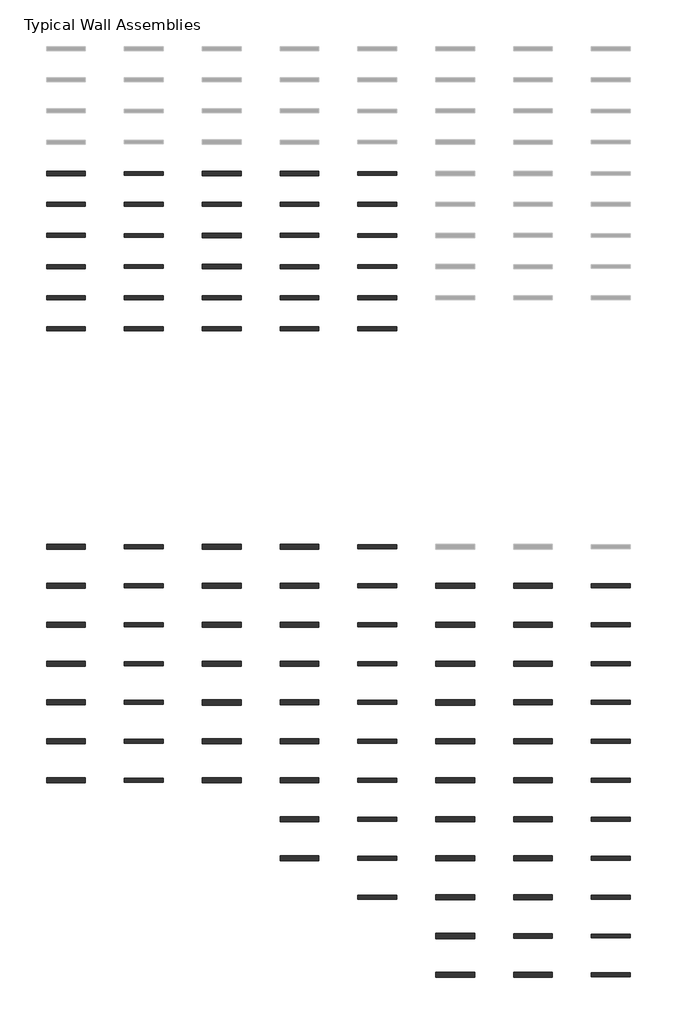
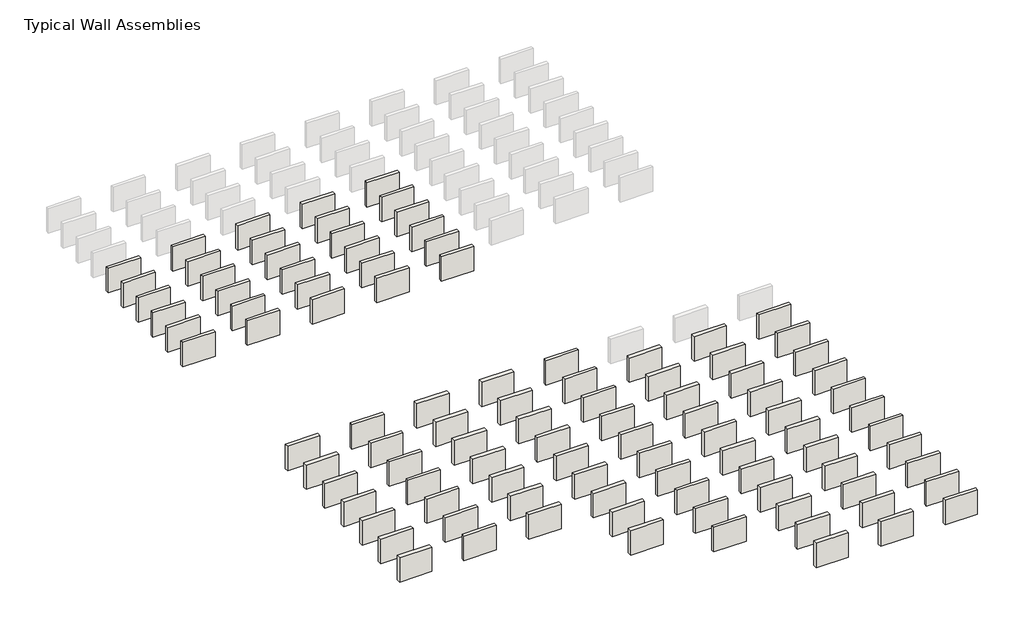
# One storey, part 5 of 8: 103 walls.
"""IFC4 building model written with IfcOpenShell, lengths in millimetres."""

from ifc_helpers import new_model, si_unit, frame, origin, place, context, project, spatial, polyline, outline, extrude, element, save

model = new_model("IFC4")

# Units and contexts
model_context = context("Model", 3, world=origin())
ifc_project = project(units=[si_unit("LENGTHUNIT", "METRE", prefix="MILLI")], contexts=[model_context])

# Site, building, storey
site = spatial("IfcSite", under=ifc_project)
building = spatial("IfcBuilding", under=site)
storey = spatial("IfcBuildingStorey", under=building, Name="Typical Wall Assemblies", Elevation=6096.0)

# Walls
placement = place(None, origin())
element("IfcWall", 1, at=placement, inside=storey, context=model_context, shape_type="SweptSolid", body=[
    extrude(outline(polyline([(3356.874931, -76366.5717574), (308.874931, -76366.5717574), (308.874931, -76050.6592477), (3356.874931, -76050.6592477), (3356.874931, -76366.5717574)])), frame((0.0, 0.0, 6096.0), z_axis=(0.0, 0.0, 1.0), x_axis=(1.0, 0.0, 0.0)), (0.0, 0.0, 1.0), 2438.4),
])
element("IfcWall", 2, at=placement, inside=storey, context=model_context, shape_type="SweptSolid", body=[
    extrude(outline(polyline([(9452.874931, -76356.2530064), (6404.874931, -76356.2530064), (6404.874931, -76060.9779987), (9452.874931, -76060.9779987), (9452.874931, -76356.2530064)])), frame((0.0, 0.0, 6096.0), z_axis=(0.0, 0.0, 1.0), x_axis=(1.0, 0.0, 0.0)), (0.0, 0.0, 1.0), 2438.4),
])
element("IfcWall", 3, at=placement, inside=storey, context=model_context, shape_type="SweptSolid", body=[
    extrude(outline(polyline([(15548.874931, -76371.3342574), (12500.874931, -76371.3342574), (12500.874931, -76045.8967477), (15548.874931, -76045.8967477), (15548.874931, -76371.3342574)])), frame((0.0, 0.0, 6096.0), z_axis=(0.0, 0.0, 1.0), x_axis=(1.0, 0.0, 0.0)), (0.0, 0.0, 1.0), 2438.4),
])
element("IfcWall", 4, at=placement, inside=storey, context=model_context, shape_type="SweptSolid", body=[
    extrude(outline(polyline([(21644.874931, -76366.5717574), (18596.874931, -76366.5717574), (18596.874931, -76050.6592477), (21644.874931, -76050.6592477), (21644.874931, -76366.5717574)])), frame((0.0, 0.0, 6096.0), z_axis=(0.0, 0.0, 1.0), x_axis=(1.0, 0.0, 0.0)), (0.0, 0.0, 1.0), 2438.4),
])
element("IfcWall", 5, at=placement, inside=storey, context=model_context, shape_type="SweptSolid", body=[
    extrude(outline(polyline([(3356.874931, -93471.8842556), (308.874931, -93471.8842556), (308.874931, -93082.9467494), (3356.874931, -93082.9467494), (3356.874931, -93471.8842556)])), frame((0.0, 0.0, 6096.0), z_axis=(0.0, 0.0, 1.0), x_axis=(1.0, 0.0, 0.0)), (0.0, 0.0, 1.0), 2438.4),
])
element("IfcWall", 6, at=placement, inside=storey, context=model_context, shape_type="SweptSolid", body=[
    extrude(outline(polyline([(9452.874931, -93432.9905038), (6404.874931, -93432.9905038), (6404.874931, -93121.8405013), (9452.874931, -93121.8405013), (9452.874931, -93432.9905038)])), frame((0.0, 0.0, 6096.0), z_axis=(0.0, 0.0, 1.0), x_axis=(1.0, 0.0, 0.0)), (0.0, 0.0, 1.0), 2438.4),
])
element("IfcWall", 7, at=placement, inside=storey, context=model_context, shape_type="SweptSolid", body=[
    extrude(outline(polyline([(15548.874931, -93476.6467556), (12500.874931, -93476.6467556), (12500.874931, -93078.1842494), (15548.874931, -93078.1842494), (15548.874931, -93476.6467556)])), frame((0.0, 0.0, 6096.0), z_axis=(0.0, 0.0, 1.0), x_axis=(1.0, 0.0, 0.0)), (0.0, 0.0, 1.0), 2438.4),
])
element("IfcWall", 8, at=placement, inside=storey, context=model_context, shape_type="SweptSolid", body=[
    extrude(outline(polyline([(21644.874931, -93471.8842556), (18596.874931, -93471.8842556), (18596.874931, -93082.9467494), (21644.874931, -93082.9467494), (21644.874931, -93471.8842556)])), frame((0.0, 0.0, 6096.0), z_axis=(0.0, 0.0, 1.0), x_axis=(1.0, 0.0, 0.0)), (0.0, 0.0, 1.0), 2438.4),
])
element("IfcWall", 9, at=placement, inside=storey, context=model_context, shape_type="SweptSolid", body=[
    extrude(outline(polyline([(27740.874931, -93432.9905038), (24692.874931, -93432.9905038), (24692.874931, -93121.8405013), (27740.874931, -93121.8405013), (27740.874931, -93432.9905038)])), frame((0.0, 0.0, 6096.0), z_axis=(0.0, 0.0, 1.0), x_axis=(1.0, 0.0, 0.0)), (0.0, 0.0, 1.0), 2438.4),
])
element("IfcWall", 10, at=placement, inside=storey, context=model_context, shape_type="SweptSolid", body=[
    extrude(outline(polyline([(3356.874931, -96519.8842556), (308.874931, -96519.8842556), (308.874931, -96130.9467494), (3356.874931, -96130.9467494), (3356.874931, -96519.8842556)])), frame((0.0, 0.0, 6096.0), z_axis=(0.0, 0.0, 1.0), x_axis=(1.0, 0.0, 0.0)), (0.0, 0.0, 1.0), 2438.4),
])
element("IfcWall", 11, at=placement, inside=storey, context=model_context, shape_type="SweptSolid", body=[
    extrude(outline(polyline([(9452.874931, -96480.9905038), (6404.874931, -96480.9905038), (6404.874931, -96169.8405013), (9452.874931, -96169.8405013), (9452.874931, -96480.9905038)])), frame((0.0, 0.0, 6096.0), z_axis=(0.0, 0.0, 1.0), x_axis=(1.0, 0.0, 0.0)), (0.0, 0.0, 1.0), 2438.4),
])
element("IfcWall", 12, at=placement, inside=storey, context=model_context, shape_type="SweptSolid", body=[
    extrude(outline(polyline([(15548.874931, -96524.6467556), (12500.874931, -96524.6467556), (12500.874931, -96126.1842494), (15548.874931, -96126.1842494), (15548.874931, -96524.6467556)])), frame((0.0, 0.0, 6096.0), z_axis=(0.0, 0.0, 1.0), x_axis=(1.0, 0.0, 0.0)), (0.0, 0.0, 1.0), 2438.4),
])
element("IfcWall", 13, at=placement, inside=storey, context=model_context, shape_type="SweptSolid", body=[
    extrude(outline(polyline([(21644.874931, -96519.8842556), (18596.874931, -96519.8842556), (18596.874931, -96130.9467494), (21644.874931, -96130.9467494), (21644.874931, -96519.8842556)])), frame((0.0, 0.0, 6096.0), z_axis=(0.0, 0.0, 1.0), x_axis=(1.0, 0.0, 0.0)), (0.0, 0.0, 1.0), 2438.4),
])
element("IfcWall", 14, at=placement, inside=storey, context=model_context, shape_type="SweptSolid", body=[
    extrude(outline(polyline([(27740.874931, -96480.9905038), (24692.874931, -96480.9905038), (24692.874931, -96169.8405013), (27740.874931, -96169.8405013), (27740.874931, -96480.9905038)])), frame((0.0, 0.0, 6096.0), z_axis=(0.0, 0.0, 1.0), x_axis=(1.0, 0.0, 0.0)), (0.0, 0.0, 1.0), 2438.4),
])
element("IfcWall", 15, at=placement, inside=storey, context=model_context, shape_type="SweptSolid", body=[
    extrude(outline(polyline([(46028.874931, -96480.9905038), (42980.874931, -96480.9905038), (42980.874931, -96169.8405013), (46028.874931, -96169.8405013), (46028.874931, -96480.9905038)])), frame((0.0, 0.0, 6096.0), z_axis=(0.0, 0.0, 1.0), x_axis=(1.0, 0.0, 0.0)), (0.0, 0.0, 1.0), 2438.4),
])
element("IfcWall", 16, at=placement, inside=storey, context=model_context, shape_type="SweptSolid", body=[
    extrude(outline(polyline([(9452.874931, -99528.9905038), (6404.874931, -99528.9905038), (6404.874931, -99217.8405013), (9452.874931, -99217.8405013), (9452.874931, -99528.9905038)])), frame((0.0, 0.0, 6096.0), z_axis=(0.0, 0.0, 1.0), x_axis=(1.0, 0.0, 0.0)), (0.0, 0.0, 1.0), 2438.4),
])
element("IfcWall", 17, at=placement, inside=storey, context=model_context, shape_type="SweptSolid", body=[
    extrude(outline(polyline([(15548.874931, -99572.6467556), (12500.874931, -99572.6467556), (12500.874931, -99174.1842494), (15548.874931, -99174.1842494), (15548.874931, -99572.6467556)])), frame((0.0, 0.0, 6096.0), z_axis=(0.0, 0.0, 1.0), x_axis=(1.0, 0.0, 0.0)), (0.0, 0.0, 1.0), 2438.4),
])
element("IfcWall", 18, at=placement, inside=storey, context=model_context, shape_type="SweptSolid", body=[
    extrude(outline(polyline([(21644.874931, -99567.8842556), (18596.874931, -99567.8842556), (18596.874931, -99178.9467494), (21644.874931, -99178.9467494), (21644.874931, -99567.8842556)])), frame((0.0, 0.0, 6096.0), z_axis=(0.0, 0.0, 1.0), x_axis=(1.0, 0.0, 0.0)), (0.0, 0.0, 1.0), 2438.4),
])
element("IfcWall", 19, at=placement, inside=storey, context=model_context, shape_type="SweptSolid", body=[
    extrude(outline(polyline([(27740.874931, -99528.9905038), (24692.874931, -99528.9905038), (24692.874931, -99217.8405013), (27740.874931, -99217.8405013), (27740.874931, -99528.9905038)])), frame((0.0, 0.0, 6096.0), z_axis=(0.0, 0.0, 1.0), x_axis=(1.0, 0.0, 0.0)), (0.0, 0.0, 1.0), 2438.4),
])
element("IfcWall", 20, at=placement, inside=storey, context=model_context, shape_type="SweptSolid", body=[
    extrude(outline(polyline([(46028.874931, -99528.9905038), (42980.874931, -99528.9905038), (42980.874931, -99217.8405013), (46028.874931, -99217.8405013), (46028.874931, -99528.9905038)])), frame((0.0, 0.0, 6096.0), z_axis=(0.0, 0.0, 1.0), x_axis=(1.0, 0.0, 0.0)), (0.0, 0.0, 1.0), 2438.4),
])
element("IfcWall", 21, at=placement, inside=storey, context=model_context, shape_type="SweptSolid", body=[
    extrude(outline(polyline([(9452.874931, -102576.9905038), (6404.874931, -102576.9905038), (6404.874931, -102265.8405013), (9452.874931, -102265.8405013), (9452.874931, -102576.9905038)])), frame((0.0, 0.0, 6096.0), z_axis=(0.0, 0.0, 1.0), x_axis=(1.0, 0.0, 0.0)), (0.0, 0.0, 1.0), 2438.4),
])
element("IfcWall", 22, at=placement, inside=storey, context=model_context, shape_type="SweptSolid", body=[
    extrude(outline(polyline([(27740.874931, -102576.9905038), (24692.874931, -102576.9905038), (24692.874931, -102265.8405013), (27740.874931, -102265.8405013), (27740.874931, -102576.9905038)])), frame((0.0, 0.0, 6096.0), z_axis=(0.0, 0.0, 1.0), x_axis=(1.0, 0.0, 0.0)), (0.0, 0.0, 1.0), 2438.4),
])
element("IfcWall", 23, at=placement, inside=storey, context=model_context, shape_type="SweptSolid", body=[
    extrude(outline(polyline([(46028.874931, -102576.9905038), (42980.874931, -102576.9905038), (42980.874931, -102265.8405013), (46028.874931, -102265.8405013), (46028.874931, -102576.9905038)])), frame((0.0, 0.0, 6096.0), z_axis=(0.0, 0.0, 1.0), x_axis=(1.0, 0.0, 0.0)), (0.0, 0.0, 1.0), 2438.4),
])
element("IfcWall", 24, at=placement, inside=storey, context=model_context, shape_type="SweptSolid", body=[
    extrude(outline(polyline([(9452.874931, -105624.9905038), (6404.874931, -105624.9905038), (6404.874931, -105313.8405013), (9452.874931, -105313.8405013), (9452.874931, -105624.9905038)])), frame((0.0, 0.0, 6096.0), z_axis=(0.0, 0.0, 1.0), x_axis=(1.0, 0.0, 0.0)), (0.0, 0.0, 1.0), 2438.4),
])
element("IfcWall", 25, at=placement, inside=storey, context=model_context, shape_type="SweptSolid", body=[
    extrude(outline(polyline([(15548.874931, -105668.6467556), (12500.874931, -105668.6467556), (12500.874931, -105270.1842494), (15548.874931, -105270.1842494), (15548.874931, -105668.6467556)])), frame((0.0, 0.0, 6096.0), z_axis=(0.0, 0.0, 1.0), x_axis=(1.0, 0.0, 0.0)), (0.0, 0.0, 1.0), 2438.4),
])
element("IfcWall", 26, at=placement, inside=storey, context=model_context, shape_type="SweptSolid", body=[
    extrude(outline(polyline([(21644.874931, -105663.8842556), (18596.874931, -105663.8842556), (18596.874931, -105274.9467494), (21644.874931, -105274.9467494), (21644.874931, -105663.8842556)])), frame((0.0, 0.0, 6096.0), z_axis=(0.0, 0.0, 1.0), x_axis=(1.0, 0.0, 0.0)), (0.0, 0.0, 1.0), 2438.4),
])
element("IfcWall", 27, at=placement, inside=storey, context=model_context, shape_type="SweptSolid", body=[
    extrude(outline(polyline([(27740.874931, -105624.9905038), (24692.874931, -105624.9905038), (24692.874931, -105313.8405013), (27740.874931, -105313.8405013), (27740.874931, -105624.9905038)])), frame((0.0, 0.0, 6096.0), z_axis=(0.0, 0.0, 1.0), x_axis=(1.0, 0.0, 0.0)), (0.0, 0.0, 1.0), 2438.4),
])
element("IfcWall", 28, at=placement, inside=storey, context=model_context, shape_type="SweptSolid", body=[
    extrude(outline(polyline([(46028.874931, -105624.9905038), (42980.874931, -105624.9905038), (42980.874931, -105313.8405013), (46028.874931, -105313.8405013), (46028.874931, -105624.9905038)])), frame((0.0, 0.0, 6096.0), z_axis=(0.0, 0.0, 1.0), x_axis=(1.0, 0.0, 0.0)), (0.0, 0.0, 1.0), 2438.4),
])
element("IfcWall", 29, at=placement, inside=storey, context=model_context, shape_type="SweptSolid", body=[
    extrude(outline(polyline([(9452.874931, -108672.9905038), (6404.874931, -108672.9905038), (6404.874931, -108361.8405013), (9452.874931, -108361.8405013), (9452.874931, -108672.9905038)])), frame((0.0, 0.0, 6096.0), z_axis=(0.0, 0.0, 1.0), x_axis=(1.0, 0.0, 0.0)), (0.0, 0.0, 1.0), 2438.4),
])
element("IfcWall", 30, at=placement, inside=storey, context=model_context, shape_type="SweptSolid", body=[
    extrude(outline(polyline([(27740.874931, -108672.9905038), (24692.874931, -108672.9905038), (24692.874931, -108361.8405013), (27740.874931, -108361.8405013), (27740.874931, -108672.9905038)])), frame((0.0, 0.0, 6096.0), z_axis=(0.0, 0.0, 1.0), x_axis=(1.0, 0.0, 0.0)), (0.0, 0.0, 1.0), 2438.4),
])
element("IfcWall", 31, at=placement, inside=storey, context=model_context, shape_type="SweptSolid", body=[
    extrude(outline(polyline([(46028.874931, -108672.9905038), (42980.874931, -108672.9905038), (42980.874931, -108361.8405013), (46028.874931, -108361.8405013), (46028.874931, -108672.9905038)])), frame((0.0, 0.0, 6096.0), z_axis=(0.0, 0.0, 1.0), x_axis=(1.0, 0.0, 0.0)), (0.0, 0.0, 1.0), 2438.4),
])
element("IfcWall", 32, at=placement, inside=storey, context=model_context, shape_type="SweptSolid", body=[
    extrude(outline(polyline([(3356.874931, -111759.8842556), (308.874931, -111759.8842556), (308.874931, -111370.9467494), (3356.874931, -111370.9467494), (3356.874931, -111759.8842556)])), frame((0.0, 0.0, 6096.0), z_axis=(0.0, 0.0, 1.0), x_axis=(1.0, 0.0, 0.0)), (0.0, 0.0, 1.0), 2438.4),
])
element("IfcWall", 33, at=placement, inside=storey, context=model_context, shape_type="SweptSolid", body=[
    extrude(outline(polyline([(9452.874931, -111720.9905038), (6404.874931, -111720.9905038), (6404.874931, -111409.8405013), (9452.874931, -111409.8405013), (9452.874931, -111720.9905038)])), frame((0.0, 0.0, 6096.0), z_axis=(0.0, 0.0, 1.0), x_axis=(1.0, 0.0, 0.0)), (0.0, 0.0, 1.0), 2438.4),
])
element("IfcWall", 34, at=placement, inside=storey, context=model_context, shape_type="SweptSolid", body=[
    extrude(outline(polyline([(27740.874931, -111720.9905038), (24692.874931, -111720.9905038), (24692.874931, -111409.8405013), (27740.874931, -111409.8405013), (27740.874931, -111720.9905038)])), frame((0.0, 0.0, 6096.0), z_axis=(0.0, 0.0, 1.0), x_axis=(1.0, 0.0, 0.0)), (0.0, 0.0, 1.0), 2438.4),
])
element("IfcWall", 35, at=placement, inside=storey, context=model_context, shape_type="SweptSolid", body=[
    extrude(outline(polyline([(33836.874931, -111764.6467556), (30788.874931, -111764.6467556), (30788.874931, -111366.1842494), (33836.874931, -111366.1842494), (33836.874931, -111764.6467556)])), frame((0.0, 0.0, 6096.0), z_axis=(0.0, 0.0, 1.0), x_axis=(1.0, 0.0, 0.0)), (0.0, 0.0, 1.0), 2438.4),
])
element("IfcWall", 36, at=placement, inside=storey, context=model_context, shape_type="SweptSolid", body=[
    extrude(outline(polyline([(39932.874931, -111759.8842556), (36884.874931, -111759.8842556), (36884.874931, -111370.9467494), (39932.874931, -111370.9467494), (39932.874931, -111759.8842556)])), frame((0.0, 0.0, 6096.0), z_axis=(0.0, 0.0, 1.0), x_axis=(1.0, 0.0, 0.0)), (0.0, 0.0, 1.0), 2438.4),
])
element("IfcWall", 37, at=placement, inside=storey, context=model_context, shape_type="SweptSolid", body=[
    extrude(outline(polyline([(46028.874931, -111720.9905038), (42980.874931, -111720.9905038), (42980.874931, -111409.8405013), (46028.874931, -111409.8405013), (46028.874931, -111720.9905038)])), frame((0.0, 0.0, 6096.0), z_axis=(0.0, 0.0, 1.0), x_axis=(1.0, 0.0, 0.0)), (0.0, 0.0, 1.0), 2438.4),
])
element("IfcWall", 38, at=placement, inside=storey, context=model_context, shape_type="SweptSolid", body=[
    extrude(outline(polyline([(27740.874931, -114768.9905038), (24692.874931, -114768.9905038), (24692.874931, -114457.8405013), (27740.874931, -114457.8405013), (27740.874931, -114768.9905038)])), frame((0.0, 0.0, 6096.0), z_axis=(0.0, 0.0, 1.0), x_axis=(1.0, 0.0, 0.0)), (0.0, 0.0, 1.0), 2438.4),
])
element("IfcWall", 39, at=placement, inside=storey, context=model_context, shape_type="SweptSolid", body=[
    extrude(outline(polyline([(46028.874931, -114768.9905038), (42980.874931, -114768.9905038), (42980.874931, -114457.8405013), (46028.874931, -114457.8405013), (46028.874931, -114768.9905038)])), frame((0.0, 0.0, 6096.0), z_axis=(0.0, 0.0, 1.0), x_axis=(1.0, 0.0, 0.0)), (0.0, 0.0, 1.0), 2438.4),
])
element("IfcWall", 40, at=placement, inside=storey, context=model_context, shape_type="SweptSolid", body=[
    extrude(outline(polyline([(27740.874931, -117816.9905038), (24692.874931, -117816.9905038), (24692.874931, -117505.8405013), (27740.874931, -117505.8405013), (27740.874931, -117816.9905038)])), frame((0.0, 0.0, 6096.0), z_axis=(0.0, 0.0, 1.0), x_axis=(1.0, 0.0, 0.0)), (0.0, 0.0, 1.0), 2438.4),
])
element("IfcWall", 41, at=placement, inside=storey, context=model_context, shape_type="SweptSolid", body=[
    extrude(outline(polyline([(46028.874931, -117816.9905038), (42980.874931, -117816.9905038), (42980.874931, -117505.8405013), (46028.874931, -117505.8405013), (46028.874931, -117816.9905038)])), frame((0.0, 0.0, 6096.0), z_axis=(0.0, 0.0, 1.0), x_axis=(1.0, 0.0, 0.0)), (0.0, 0.0, 1.0), 2438.4),
])
element("IfcWall", 42, at=placement, inside=storey, context=model_context, shape_type="SweptSolid", body=[
    extrude(outline(polyline([(27740.874931, -120864.9905038), (24692.874931, -120864.9905038), (24692.874931, -120553.8405013), (27740.874931, -120553.8405013), (27740.874931, -120864.9905038)])), frame((0.0, 0.0, 6096.0), z_axis=(0.0, 0.0, 1.0), x_axis=(1.0, 0.0, 0.0)), (0.0, 0.0, 1.0), 2438.4),
])
element("IfcWall", 43, at=placement, inside=storey, context=model_context, shape_type="SweptSolid", body=[
    extrude(outline(polyline([(46028.874931, -120864.9905038), (42980.874931, -120864.9905038), (42980.874931, -120553.8405013), (46028.874931, -120553.8405013), (46028.874931, -120864.9905038)])), frame((0.0, 0.0, 6096.0), z_axis=(0.0, 0.0, 1.0), x_axis=(1.0, 0.0, 0.0)), (0.0, 0.0, 1.0), 2438.4),
])
element("IfcWall", 44, at=placement, inside=storey, context=model_context, shape_type="SweptSolid", body=[
    extrude(outline(polyline([(33836.874931, -123956.6467556), (30788.874931, -123956.6467556), (30788.874931, -123558.1842494), (33836.874931, -123558.1842494), (33836.874931, -123956.6467556)])), frame((0.0, 0.0, 6096.0), z_axis=(0.0, 0.0, 1.0), x_axis=(1.0, 0.0, 0.0)), (0.0, 0.0, 1.0), 2438.4),
])
element("IfcWall", 45, at=placement, inside=storey, context=model_context, shape_type="SweptSolid", body=[
    extrude(outline(polyline([(39932.874931, -123951.8842556), (36884.874931, -123951.8842556), (36884.874931, -123562.9467494), (39932.874931, -123562.9467494), (39932.874931, -123951.8842556)])), frame((0.0, 0.0, 6096.0), z_axis=(0.0, 0.0, 1.0), x_axis=(1.0, 0.0, 0.0)), (0.0, 0.0, 1.0), 2438.4),
])
element("IfcWall", 46, at=placement, inside=storey, context=model_context, shape_type="SweptSolid", body=[
    extrude(outline(polyline([(46028.874931, -123912.9905038), (42980.874931, -123912.9905038), (42980.874931, -123601.8405013), (46028.874931, -123601.8405013), (46028.874931, -123912.9905038)])), frame((0.0, 0.0, 6096.0), z_axis=(0.0, 0.0, 1.0), x_axis=(1.0, 0.0, 0.0)), (0.0, 0.0, 1.0), 2438.4),
])
element("IfcWall", 47, at=placement, inside=storey, context=model_context, shape_type="SweptSolid", body=[
    extrude(outline(polyline([(33836.874931, -127004.6467556), (30788.874931, -127004.6467556), (30788.874931, -126606.1842494), (33836.874931, -126606.1842494), (33836.874931, -127004.6467556)])), frame((0.0, 0.0, 6096.0), z_axis=(0.0, 0.0, 1.0), x_axis=(1.0, 0.0, 0.0)), (0.0, 0.0, 1.0), 2438.4),
])
element("IfcWall", 48, at=placement, inside=storey, context=model_context, shape_type="SweptSolid", body=[
    extrude(outline(polyline([(39932.874931, -126999.8842556), (36884.874931, -126999.8842556), (36884.874931, -126610.9467494), (39932.874931, -126610.9467494), (39932.874931, -126999.8842556)])), frame((0.0, 0.0, 6096.0), z_axis=(0.0, 0.0, 1.0), x_axis=(1.0, 0.0, 0.0)), (0.0, 0.0, 1.0), 2438.4),
])
element("IfcWall", 49, at=placement, inside=storey, context=model_context, shape_type="SweptSolid", body=[
    extrude(outline(polyline([(46028.874931, -126960.9905038), (42980.874931, -126960.9905038), (42980.874931, -126649.8405013), (46028.874931, -126649.8405013), (46028.874931, -126960.9905038)])), frame((0.0, 0.0, 6096.0), z_axis=(0.0, 0.0, 1.0), x_axis=(1.0, 0.0, 0.0)), (0.0, 0.0, 1.0), 2438.4),
])
element("IfcWall", 50, at=placement, inside=storey, context=model_context, shape_type="SweptSolid", body=[
    extrude(outline(polyline([(27740.874931, -76356.2530064), (24692.874931, -76356.2530064), (24692.874931, -76060.9779987), (27740.874931, -76060.9779987), (27740.874931, -76356.2530064)])), frame((0.0, 0.0, 6096.0), z_axis=(0.0, 0.0, 1.0), x_axis=(1.0, 0.0, 0.0)), (0.0, 0.0, 1.0), 2438.4),
])
element("IfcWall", 51, at=placement, inside=storey, context=model_context, shape_type="SweptSolid", body=[
    extrude(outline(polyline([(3356.874931, -64199.9717574), (308.874931, -64199.9717574), (308.874931, -63884.0592477), (3356.874931, -63884.0592477), (3356.874931, -64199.9717574)])), frame((0.0, 0.0, 6096.0), z_axis=(0.0, 0.0, 1.0), x_axis=(1.0, 0.0, 0.0)), (0.0, 0.0, 1.0), 2438.4),
])
element("IfcWall", 52, at=placement, inside=storey, context=model_context, shape_type="SweptSolid", body=[
    extrude(outline(polyline([(9452.874931, -64189.6530064), (6404.874931, -64189.6530064), (6404.874931, -63894.3779987), (9452.874931, -63894.3779987), (9452.874931, -64189.6530064)])), frame((0.0, 0.0, 6096.0), z_axis=(0.0, 0.0, 1.0), x_axis=(1.0, 0.0, 0.0)), (0.0, 0.0, 1.0), 2438.4),
])
element("IfcWall", 53, at=placement, inside=storey, context=model_context, shape_type="SweptSolid", body=[
    extrude(outline(polyline([(15548.874931, -64204.7342574), (12500.874931, -64204.7342574), (12500.874931, -63879.2967477), (15548.874931, -63879.2967477), (15548.874931, -64204.7342574)])), frame((0.0, 0.0, 6096.0), z_axis=(0.0, 0.0, 1.0), x_axis=(1.0, 0.0, 0.0)), (0.0, 0.0, 1.0), 2438.4),
])
element("IfcWall", 54, at=placement, inside=storey, context=model_context, shape_type="SweptSolid", body=[
    extrude(outline(polyline([(21644.874931, -64199.9717574), (18596.874931, -64199.9717574), (18596.874931, -63884.0592477), (21644.874931, -63884.0592477), (21644.874931, -64199.9717574)])), frame((0.0, 0.0, 6096.0), z_axis=(0.0, 0.0, 1.0), x_axis=(1.0, 0.0, 0.0)), (0.0, 0.0, 1.0), 2438.4),
])
element("IfcWall", 55, at=placement, inside=storey, context=model_context, shape_type="SweptSolid", body=[
    extrude(outline(polyline([(27740.874931, -64189.6530064), (24692.874931, -64189.6530064), (24692.874931, -63894.3779987), (27740.874931, -63894.3779987), (27740.874931, -64189.6530064)])), frame((0.0, 0.0, 6096.0), z_axis=(0.0, 0.0, 1.0), x_axis=(1.0, 0.0, 0.0)), (0.0, 0.0, 1.0), 2438.4),
])
element("IfcWall", 56, at=placement, inside=storey, context=model_context, shape_type="SweptSolid", body=[
    extrude(outline(polyline([(3356.874931, -66612.9717574), (308.874931, -66612.9717574), (308.874931, -66297.0592477), (3356.874931, -66297.0592477), (3356.874931, -66612.9717574)])), frame((0.0, 0.0, 6096.0), z_axis=(0.0, 0.0, 1.0), x_axis=(1.0, 0.0, 0.0)), (0.0, 0.0, 1.0), 2438.4),
])
element("IfcWall", 57, at=placement, inside=storey, context=model_context, shape_type="SweptSolid", body=[
    extrude(outline(polyline([(9452.874931, -66602.6530064), (6404.874931, -66602.6530064), (6404.874931, -66307.3779987), (9452.874931, -66307.3779987), (9452.874931, -66602.6530064)])), frame((0.0, 0.0, 6096.0), z_axis=(0.0, 0.0, 1.0), x_axis=(1.0, 0.0, 0.0)), (0.0, 0.0, 1.0), 2438.4),
])
element("IfcWall", 58, at=placement, inside=storey, context=model_context, shape_type="SweptSolid", body=[
    extrude(outline(polyline([(15548.874931, -66617.7342574), (12500.874931, -66617.7342574), (12500.874931, -66292.2967477), (15548.874931, -66292.2967477), (15548.874931, -66617.7342574)])), frame((0.0, 0.0, 6096.0), z_axis=(0.0, 0.0, 1.0), x_axis=(1.0, 0.0, 0.0)), (0.0, 0.0, 1.0), 2438.4),
])
element("IfcWall", 59, at=placement, inside=storey, context=model_context, shape_type="SweptSolid", body=[
    extrude(outline(polyline([(21644.874931, -66612.9717574), (18596.874931, -66612.9717574), (18596.874931, -66297.0592477), (21644.874931, -66297.0592477), (21644.874931, -66612.9717574)])), frame((0.0, 0.0, 6096.0), z_axis=(0.0, 0.0, 1.0), x_axis=(1.0, 0.0, 0.0)), (0.0, 0.0, 1.0), 2438.4),
])
element("IfcWall", 60, at=placement, inside=storey, context=model_context, shape_type="SweptSolid", body=[
    extrude(outline(polyline([(27740.874931, -66602.6530064), (24692.874931, -66602.6530064), (24692.874931, -66307.3779987), (27740.874931, -66307.3779987), (27740.874931, -66602.6530064)])), frame((0.0, 0.0, 6096.0), z_axis=(0.0, 0.0, 1.0), x_axis=(1.0, 0.0, 0.0)), (0.0, 0.0, 1.0), 2438.4),
])
element("IfcWall", 61, at=placement, inside=storey, context=model_context, shape_type="SweptSolid", body=[
    extrude(outline(polyline([(3356.874931, -69051.3717574), (308.874931, -69051.3717574), (308.874931, -68735.4592477), (3356.874931, -68735.4592477), (3356.874931, -69051.3717574)])), frame((0.0, 0.0, 6096.0), z_axis=(0.0, 0.0, 1.0), x_axis=(1.0, 0.0, 0.0)), (0.0, 0.0, 1.0), 2438.4),
])
element("IfcWall", 62, at=placement, inside=storey, context=model_context, shape_type="SweptSolid", body=[
    extrude(outline(polyline([(9452.874931, -69041.0530064), (6404.874931, -69041.0530064), (6404.874931, -68745.7779987), (9452.874931, -68745.7779987), (9452.874931, -69041.0530064)])), frame((0.0, 0.0, 6096.0), z_axis=(0.0, 0.0, 1.0), x_axis=(1.0, 0.0, 0.0)), (0.0, 0.0, 1.0), 2438.4),
])
element("IfcWall", 63, at=placement, inside=storey, context=model_context, shape_type="SweptSolid", body=[
    extrude(outline(polyline([(15548.874931, -69056.1342574), (12500.874931, -69056.1342574), (12500.874931, -68730.6967477), (15548.874931, -68730.6967477), (15548.874931, -69056.1342574)])), frame((0.0, 0.0, 6096.0), z_axis=(0.0, 0.0, 1.0), x_axis=(1.0, 0.0, 0.0)), (0.0, 0.0, 1.0), 2438.4),
])
element("IfcWall", 64, at=placement, inside=storey, context=model_context, shape_type="SweptSolid", body=[
    extrude(outline(polyline([(21644.874931, -69051.3717574), (18596.874931, -69051.3717574), (18596.874931, -68735.4592477), (21644.874931, -68735.4592477), (21644.874931, -69051.3717574)])), frame((0.0, 0.0, 6096.0), z_axis=(0.0, 0.0, 1.0), x_axis=(1.0, 0.0, 0.0)), (0.0, 0.0, 1.0), 2438.4),
])
element("IfcWall", 65, at=placement, inside=storey, context=model_context, shape_type="SweptSolid", body=[
    extrude(outline(polyline([(27740.874931, -69041.0530064), (24692.874931, -69041.0530064), (24692.874931, -68745.7779987), (27740.874931, -68745.7779987), (27740.874931, -69041.0530064)])), frame((0.0, 0.0, 6096.0), z_axis=(0.0, 0.0, 1.0), x_axis=(1.0, 0.0, 0.0)), (0.0, 0.0, 1.0), 2438.4),
])
element("IfcWall", 66, at=placement, inside=storey, context=model_context, shape_type="SweptSolid", body=[
    extrude(outline(polyline([(3356.874931, -71489.7717574), (308.874931, -71489.7717574), (308.874931, -71173.8592477), (3356.874931, -71173.8592477), (3356.874931, -71489.7717574)])), frame((0.0, 0.0, 6096.0), z_axis=(0.0, 0.0, 1.0), x_axis=(1.0, 0.0, 0.0)), (0.0, 0.0, 1.0), 2438.4),
])
element("IfcWall", 67, at=placement, inside=storey, context=model_context, shape_type="SweptSolid", body=[
    extrude(outline(polyline([(9452.874931, -71479.4530064), (6404.874931, -71479.4530064), (6404.874931, -71184.1779987), (9452.874931, -71184.1779987), (9452.874931, -71479.4530064)])), frame((0.0, 0.0, 6096.0), z_axis=(0.0, 0.0, 1.0), x_axis=(1.0, 0.0, 0.0)), (0.0, 0.0, 1.0), 2438.4),
])
element("IfcWall", 68, at=placement, inside=storey, context=model_context, shape_type="SweptSolid", body=[
    extrude(outline(polyline([(15548.874931, -71494.5342574), (12500.874931, -71494.5342574), (12500.874931, -71169.0967477), (15548.874931, -71169.0967477), (15548.874931, -71494.5342574)])), frame((0.0, 0.0, 6096.0), z_axis=(0.0, 0.0, 1.0), x_axis=(1.0, 0.0, 0.0)), (0.0, 0.0, 1.0), 2438.4),
])
element("IfcWall", 69, at=placement, inside=storey, context=model_context, shape_type="SweptSolid", body=[
    extrude(outline(polyline([(21644.874931, -71489.7717574), (18596.874931, -71489.7717574), (18596.874931, -71173.8592477), (21644.874931, -71173.8592477), (21644.874931, -71489.7717574)])), frame((0.0, 0.0, 6096.0), z_axis=(0.0, 0.0, 1.0), x_axis=(1.0, 0.0, 0.0)), (0.0, 0.0, 1.0), 2438.4),
])
element("IfcWall", 70, at=placement, inside=storey, context=model_context, shape_type="SweptSolid", body=[
    extrude(outline(polyline([(27740.874931, -71479.4530064), (24692.874931, -71479.4530064), (24692.874931, -71184.1779987), (27740.874931, -71184.1779987), (27740.874931, -71479.4530064)])), frame((0.0, 0.0, 6096.0), z_axis=(0.0, 0.0, 1.0), x_axis=(1.0, 0.0, 0.0)), (0.0, 0.0, 1.0), 2438.4),
])
element("IfcWall", 71, at=placement, inside=storey, context=model_context, shape_type="SweptSolid", body=[
    extrude(outline(polyline([(3356.874931, -73928.1717574), (308.874931, -73928.1717574), (308.874931, -73612.2592477), (3356.874931, -73612.2592477), (3356.874931, -73928.1717574)])), frame((0.0, 0.0, 6096.0), z_axis=(0.0, 0.0, 1.0), x_axis=(1.0, 0.0, 0.0)), (0.0, 0.0, 1.0), 2438.4),
])
element("IfcWall", 72, at=placement, inside=storey, context=model_context, shape_type="SweptSolid", body=[
    extrude(outline(polyline([(9452.874931, -73917.8530064), (6404.874931, -73917.8530064), (6404.874931, -73622.5779987), (9452.874931, -73622.5779987), (9452.874931, -73917.8530064)])), frame((0.0, 0.0, 6096.0), z_axis=(0.0, 0.0, 1.0), x_axis=(1.0, 0.0, 0.0)), (0.0, 0.0, 1.0), 2438.4),
])
element("IfcWall", 73, at=placement, inside=storey, context=model_context, shape_type="SweptSolid", body=[
    extrude(outline(polyline([(15548.874931, -73932.9342574), (12500.874931, -73932.9342574), (12500.874931, -73607.4967477), (15548.874931, -73607.4967477), (15548.874931, -73932.9342574)])), frame((0.0, 0.0, 6096.0), z_axis=(0.0, 0.0, 1.0), x_axis=(1.0, 0.0, 0.0)), (0.0, 0.0, 1.0), 2438.4),
])
element("IfcWall", 74, at=placement, inside=storey, context=model_context, shape_type="SweptSolid", body=[
    extrude(outline(polyline([(21644.874931, -73928.1717574), (18596.874931, -73928.1717574), (18596.874931, -73612.2592477), (21644.874931, -73612.2592477), (21644.874931, -73928.1717574)])), frame((0.0, 0.0, 6096.0), z_axis=(0.0, 0.0, 1.0), x_axis=(1.0, 0.0, 0.0)), (0.0, 0.0, 1.0), 2438.4),
])
element("IfcWall", 75, at=placement, inside=storey, context=model_context, shape_type="SweptSolid", body=[
    extrude(outline(polyline([(27740.874931, -73917.8530064), (24692.874931, -73917.8530064), (24692.874931, -73622.5779987), (27740.874931, -73622.5779987), (27740.874931, -73917.8530064)])), frame((0.0, 0.0, 6096.0), z_axis=(0.0, 0.0, 1.0), x_axis=(1.0, 0.0, 0.0)), (0.0, 0.0, 1.0), 2438.4),
])
element("IfcWall", 76, ObjectType="Mutual Materials - Face Brick - Burgundy Mission over 8\" CIP", at=placement, inside=storey, context=model_context, shape_type="SweptSolid", body=[
    extrude(outline(polyline([(33836.874931, -96524.6467556), (30788.874931, -96524.6467556), (30788.874931, -96126.1842494), (33836.874931, -96126.1842494), (33836.874931, -96524.6467556)])), frame((0.0, 0.0, 6096.0), z_axis=(0.0, 0.0, 1.0), x_axis=(1.0, 0.0, 0.0)), (0.0, 0.0, 1.0), 2438.4),
])
element("IfcWall", 77, ObjectType="Mutual Materials - Face Brick - Burgundy Mission over 8\" CMU", at=placement, inside=storey, context=model_context, shape_type="SweptSolid", body=[
    extrude(outline(polyline([(39932.874931, -96519.8842556), (36884.874931, -96519.8842556), (36884.874931, -96130.9467494), (39932.874931, -96130.9467494), (39932.874931, -96519.8842556)])), frame((0.0, 0.0, 6096.0), z_axis=(0.0, 0.0, 1.0), x_axis=(1.0, 0.0, 0.0)), (0.0, 0.0, 1.0), 2438.4),
])
element("IfcWall", 78, ObjectType="Mutual Materials - Face Brick - Canyon Mist over 8\" CMU", at=placement, inside=storey, context=model_context, shape_type="SweptSolid", body=[
    extrude(outline(polyline([(3356.874931, -99567.8842556), (308.874931, -99567.8842556), (308.874931, -99178.9467494), (3356.874931, -99178.9467494), (3356.874931, -99567.8842556)])), frame((0.0, 0.0, 6096.0), z_axis=(0.0, 0.0, 1.0), x_axis=(1.0, 0.0, 0.0)), (0.0, 0.0, 1.0), 2438.4),
])
element("IfcWall", 79, ObjectType="Mutual Materials - Face Brick - Castle Gray over 8\" CIP", at=placement, inside=storey, context=model_context, shape_type="SweptSolid", body=[
    extrude(outline(polyline([(33836.874931, -99572.6467556), (30788.874931, -99572.6467556), (30788.874931, -99174.1842494), (33836.874931, -99174.1842494), (33836.874931, -99572.6467556)])), frame((0.0, 0.0, 6096.0), z_axis=(0.0, 0.0, 1.0), x_axis=(1.0, 0.0, 0.0)), (0.0, 0.0, 1.0), 2438.4),
])
element("IfcWall", 80, ObjectType="Mutual Materials - Face Brick - Castle Gray over 8\" CMU", at=placement, inside=storey, context=model_context, shape_type="SweptSolid", body=[
    extrude(outline(polyline([(39932.874931, -99567.8842556), (36884.874931, -99567.8842556), (36884.874931, -99178.9467494), (39932.874931, -99178.9467494), (39932.874931, -99567.8842556)])), frame((0.0, 0.0, 6096.0), z_axis=(0.0, 0.0, 1.0), x_axis=(1.0, 0.0, 0.0)), (0.0, 0.0, 1.0), 2438.4),
])
element("IfcWall", 81, ObjectType="Mutual Materials - Face Brick - Chateau Gray over 8\" CMU", at=placement, inside=storey, context=model_context, shape_type="SweptSolid", body=[
    extrude(outline(polyline([(3356.874931, -102615.8842556), (308.874931, -102615.8842556), (308.874931, -102226.9467494), (3356.874931, -102226.9467494), (3356.874931, -102615.8842556)])), frame((0.0, 0.0, 6096.0), z_axis=(0.0, 0.0, 1.0), x_axis=(1.0, 0.0, 0.0)), (0.0, 0.0, 1.0), 2438.4),
])
element("IfcWall", 82, ObjectType="Mutual Materials - Face Brick - Chestnut over 8\" CIP", at=placement, inside=storey, context=model_context, shape_type="SweptSolid", body=[
    extrude(outline(polyline([(15548.874931, -102620.6467556), (12500.874931, -102620.6467556), (12500.874931, -102222.1842494), (15548.874931, -102222.1842494), (15548.874931, -102620.6467556)])), frame((0.0, 0.0, 6096.0), z_axis=(0.0, 0.0, 1.0), x_axis=(1.0, 0.0, 0.0)), (0.0, 0.0, 1.0), 2438.4),
])
element("IfcWall", 83, ObjectType="Mutual Materials - Face Brick - Chestnut over 8\" CMU", at=placement, inside=storey, context=model_context, shape_type="SweptSolid", body=[
    extrude(outline(polyline([(21644.874931, -102615.8842556), (18596.874931, -102615.8842556), (18596.874931, -102226.9467494), (21644.874931, -102226.9467494), (21644.874931, -102615.8842556)])), frame((0.0, 0.0, 6096.0), z_axis=(0.0, 0.0, 1.0), x_axis=(1.0, 0.0, 0.0)), (0.0, 0.0, 1.0), 2438.4),
])
element("IfcWall", 84, ObjectType="Mutual Materials - Face Brick - Classic Used over 8\" CIP", at=placement, inside=storey, context=model_context, shape_type="SweptSolid", body=[
    extrude(outline(polyline([(33836.874931, -102620.6467556), (30788.874931, -102620.6467556), (30788.874931, -102222.1842494), (33836.874931, -102222.1842494), (33836.874931, -102620.6467556)])), frame((0.0, 0.0, 6096.0), z_axis=(0.0, 0.0, 1.0), x_axis=(1.0, 0.0, 0.0)), (0.0, 0.0, 1.0), 2438.4),
])
element("IfcWall", 85, ObjectType="Mutual Materials - Face Brick - Classic Used over 8\" CMU", at=placement, inside=storey, context=model_context, shape_type="SweptSolid", body=[
    extrude(outline(polyline([(39932.874931, -102615.8842556), (36884.874931, -102615.8842556), (36884.874931, -102226.9467494), (39932.874931, -102226.9467494), (39932.874931, -102615.8842556)])), frame((0.0, 0.0, 6096.0), z_axis=(0.0, 0.0, 1.0), x_axis=(1.0, 0.0, 0.0)), (0.0, 0.0, 1.0), 2438.4),
])
element("IfcWall", 86, ObjectType="Mutual Materials - Face Brick - Coal Creek over 8\" CMU", at=placement, inside=storey, context=model_context, shape_type="SweptSolid", body=[
    extrude(outline(polyline([(3356.874931, -105663.8842556), (308.874931, -105663.8842556), (308.874931, -105274.9467494), (3356.874931, -105274.9467494), (3356.874931, -105663.8842556)])), frame((0.0, 0.0, 6096.0), z_axis=(0.0, 0.0, 1.0), x_axis=(1.0, 0.0, 0.0)), (0.0, 0.0, 1.0), 2438.4),
])
element("IfcWall", 87, ObjectType="Mutual Materials - Face Brick - Coral over 8\" CIP", at=placement, inside=storey, context=model_context, shape_type="SweptSolid", body=[
    extrude(outline(polyline([(33836.874931, -105668.6467556), (30788.874931, -105668.6467556), (30788.874931, -105270.1842494), (33836.874931, -105270.1842494), (33836.874931, -105668.6467556)])), frame((0.0, 0.0, 6096.0), z_axis=(0.0, 0.0, 1.0), x_axis=(1.0, 0.0, 0.0)), (0.0, 0.0, 1.0), 2438.4),
])
element("IfcWall", 88, ObjectType="Mutual Materials - Face Brick - Coral over 8\" CMU", at=placement, inside=storey, context=model_context, shape_type="SweptSolid", body=[
    extrude(outline(polyline([(39932.874931, -105663.8842556), (36884.874931, -105663.8842556), (36884.874931, -105274.9467494), (39932.874931, -105274.9467494), (39932.874931, -105663.8842556)])), frame((0.0, 0.0, 6096.0), z_axis=(0.0, 0.0, 1.0), x_axis=(1.0, 0.0, 0.0)), (0.0, 0.0, 1.0), 2438.4),
])
element("IfcWall", 89, ObjectType="Mutual Materials - Face Brick - Desert Rose over 8\" CMU", at=placement, inside=storey, context=model_context, shape_type="SweptSolid", body=[
    extrude(outline(polyline([(3356.874931, -108711.8842556), (308.874931, -108711.8842556), (308.874931, -108322.9467494), (3356.874931, -108322.9467494), (3356.874931, -108711.8842556)])), frame((0.0, 0.0, 6096.0), z_axis=(0.0, 0.0, 1.0), x_axis=(1.0, 0.0, 0.0)), (0.0, 0.0, 1.0), 2438.4),
])
element("IfcWall", 90, ObjectType="Mutual Materials - Face Brick - Desert White over 8\" CIP", at=placement, inside=storey, context=model_context, shape_type="SweptSolid", body=[
    extrude(outline(polyline([(15548.874931, -108716.6467556), (12500.874931, -108716.6467556), (12500.874931, -108318.1842494), (15548.874931, -108318.1842494), (15548.874931, -108716.6467556)])), frame((0.0, 0.0, 6096.0), z_axis=(0.0, 0.0, 1.0), x_axis=(1.0, 0.0, 0.0)), (0.0, 0.0, 1.0), 2438.4),
])
element("IfcWall", 91, ObjectType="Mutual Materials - Face Brick - Desert White over 8\" CMU", at=placement, inside=storey, context=model_context, shape_type="SweptSolid", body=[
    extrude(outline(polyline([(21644.874931, -108711.8842556), (18596.874931, -108711.8842556), (18596.874931, -108322.9467494), (21644.874931, -108322.9467494), (21644.874931, -108711.8842556)])), frame((0.0, 0.0, 6096.0), z_axis=(0.0, 0.0, 1.0), x_axis=(1.0, 0.0, 0.0)), (0.0, 0.0, 1.0), 2438.4),
])
element("IfcWall", 92, ObjectType="Mutual Materials - Face Brick - Ebony over 8\" CIP", at=placement, inside=storey, context=model_context, shape_type="SweptSolid", body=[
    extrude(outline(polyline([(33836.874931, -108716.6467556), (30788.874931, -108716.6467556), (30788.874931, -108318.1842494), (33836.874931, -108318.1842494), (33836.874931, -108716.6467556)])), frame((0.0, 0.0, 6096.0), z_axis=(0.0, 0.0, 1.0), x_axis=(1.0, 0.0, 0.0)), (0.0, 0.0, 1.0), 2438.4),
])
element("IfcWall", 93, ObjectType="Mutual Materials - Face Brick - Ebony over 8\" CMU", at=placement, inside=storey, context=model_context, shape_type="SweptSolid", body=[
    extrude(outline(polyline([(39932.874931, -108711.8842556), (36884.874931, -108711.8842556), (36884.874931, -108322.9467494), (39932.874931, -108322.9467494), (39932.874931, -108711.8842556)])), frame((0.0, 0.0, 6096.0), z_axis=(0.0, 0.0, 1.0), x_axis=(1.0, 0.0, 0.0)), (0.0, 0.0, 1.0), 2438.4),
])
element("IfcWall", 94, ObjectType="Mutual Materials - Face Brick - Glacier over 8\" CIP", at=placement, inside=storey, context=model_context, shape_type="SweptSolid", body=[
    extrude(outline(polyline([(15548.874931, -111764.6467556), (12500.874931, -111764.6467556), (12500.874931, -111366.1842494), (15548.874931, -111366.1842494), (15548.874931, -111764.6467556)])), frame((0.0, 0.0, 6096.0), z_axis=(0.0, 0.0, 1.0), x_axis=(1.0, 0.0, 0.0)), (0.0, 0.0, 1.0), 2438.4),
])
element("IfcWall", 95, ObjectType="Mutual Materials - Face Brick - Glacier over 8\" CMU", at=placement, inside=storey, context=model_context, shape_type="SweptSolid", body=[
    extrude(outline(polyline([(21644.874931, -111759.8842556), (18596.874931, -111759.8842556), (18596.874931, -111370.9467494), (21644.874931, -111370.9467494), (21644.874931, -111759.8842556)])), frame((0.0, 0.0, 6096.0), z_axis=(0.0, 0.0, 1.0), x_axis=(1.0, 0.0, 0.0)), (0.0, 0.0, 1.0), 2438.4),
])
element("IfcWall", 96, ObjectType="Mutual Materials - Face Brick - Imperial Gray over 8\" CMU", at=placement, inside=storey, context=model_context, shape_type="SweptSolid", body=[
    extrude(outline(polyline([(21644.874931, -114807.8842556), (18596.874931, -114807.8842556), (18596.874931, -114418.9467494), (21644.874931, -114418.9467494), (21644.874931, -114807.8842556)])), frame((0.0, 0.0, 6096.0), z_axis=(0.0, 0.0, 1.0), x_axis=(1.0, 0.0, 0.0)), (0.0, 0.0, 1.0), 2438.4),
])
element("IfcWall", 97, ObjectType="Mutual Materials - Face Brick - Imperial Red over 8\" CIP", at=placement, inside=storey, context=model_context, shape_type="SweptSolid", body=[
    extrude(outline(polyline([(33836.874931, -114812.6467556), (30788.874931, -114812.6467556), (30788.874931, -114414.1842494), (33836.874931, -114414.1842494), (33836.874931, -114812.6467556)])), frame((0.0, 0.0, 6096.0), z_axis=(0.0, 0.0, 1.0), x_axis=(1.0, 0.0, 0.0)), (0.0, 0.0, 1.0), 2438.4),
])
element("IfcWall", 98, ObjectType="Mutual Materials - Face Brick - Imperial Red over 8\" CMU", at=placement, inside=storey, context=model_context, shape_type="SweptSolid", body=[
    extrude(outline(polyline([(39932.874931, -114807.8842556), (36884.874931, -114807.8842556), (36884.874931, -114418.9467494), (39932.874931, -114418.9467494), (39932.874931, -114807.8842556)])), frame((0.0, 0.0, 6096.0), z_axis=(0.0, 0.0, 1.0), x_axis=(1.0, 0.0, 0.0)), (0.0, 0.0, 1.0), 2438.4),
])
element("IfcWall", 99, ObjectType="Mutual Materials - Face Brick - Ivory over 8\" CMU", at=placement, inside=storey, context=model_context, shape_type="SweptSolid", body=[
    extrude(outline(polyline([(21644.874931, -117855.8842556), (18596.874931, -117855.8842556), (18596.874931, -117466.9467494), (21644.874931, -117466.9467494), (21644.874931, -117855.8842556)])), frame((0.0, 0.0, 6096.0), z_axis=(0.0, 0.0, 1.0), x_axis=(1.0, 0.0, 0.0)), (0.0, 0.0, 1.0), 2438.4),
])
element("IfcWall", 100, ObjectType="Mutual Materials - Face Brick - Limestone over 8\" CIP", at=placement, inside=storey, context=model_context, shape_type="SweptSolid", body=[
    extrude(outline(polyline([(33836.874931, -117860.6467556), (30788.874931, -117860.6467556), (30788.874931, -117462.1842494), (33836.874931, -117462.1842494), (33836.874931, -117860.6467556)])), frame((0.0, 0.0, 6096.0), z_axis=(0.0, 0.0, 1.0), x_axis=(1.0, 0.0, 0.0)), (0.0, 0.0, 1.0), 2438.4),
])
element("IfcWall", 101, ObjectType="Mutual Materials - Face Brick - Limestone over 8\" CMU", at=placement, inside=storey, context=model_context, shape_type="SweptSolid", body=[
    extrude(outline(polyline([(39932.874931, -117855.8842556), (36884.874931, -117855.8842556), (36884.874931, -117466.9467494), (39932.874931, -117466.9467494), (39932.874931, -117855.8842556)])), frame((0.0, 0.0, 6096.0), z_axis=(0.0, 0.0, 1.0), x_axis=(1.0, 0.0, 0.0)), (0.0, 0.0, 1.0), 2438.4),
])
element("IfcWall", 102, ObjectType="Mutual Materials - Face Brick - Modified Granite over 8\" CIP", at=placement, inside=storey, context=model_context, shape_type="SweptSolid", body=[
    extrude(outline(polyline([(33836.874931, -120908.6467556), (30788.874931, -120908.6467556), (30788.874931, -120510.1842494), (33836.874931, -120510.1842494), (33836.874931, -120908.6467556)])), frame((0.0, 0.0, 6096.0), z_axis=(0.0, 0.0, 1.0), x_axis=(1.0, 0.0, 0.0)), (0.0, 0.0, 1.0), 2438.4),
])
element("IfcWall", 103, ObjectType="Mutual Materials - Face Brick - Modified Granite over 8\" CMU", at=placement, inside=storey, context=model_context, shape_type="SweptSolid", body=[
    extrude(outline(polyline([(39932.874931, -120903.8842556), (36884.874931, -120903.8842556), (36884.874931, -120514.9467494), (39932.874931, -120514.9467494), (39932.874931, -120903.8842556)])), frame((0.0, 0.0, 6096.0), z_axis=(0.0, 0.0, 1.0), x_axis=(1.0, 0.0, 0.0)), (0.0, 0.0, 1.0), 2438.4),
])

save(model, "model.ifc")
